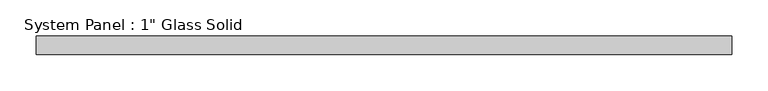
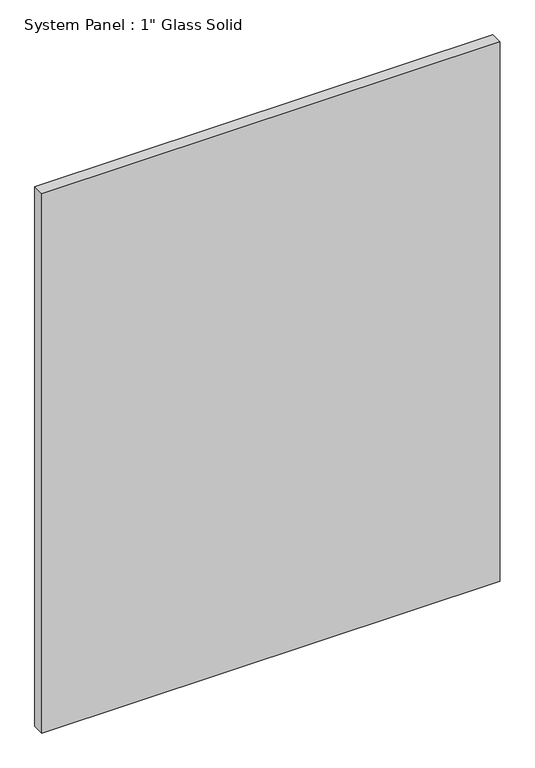
"""IFC4 building model written with IfcOpenShell, lengths in millimetres: plate geometry."""

from ifc_helpers import new_model, si_unit, origin, origin_with_axes, place, context, project, spatial, polyline, outline, extrude, source, transform, mapped, element, save


def plate_df56e210(model_context):
    return source(origin(), model_context, "Body", "SweptSolid", [
        extrude(outline(polyline([(477.2577987, -12.7), (-477.2577987, -12.7), (-477.2577987, 12.7), (477.2577987, 12.7), (477.2577987, -12.7)])), origin_with_axes(), (0.0, 0.0, 1.0), 1187.4517704),
    ])


if __name__ == "__main__":
    model = new_model("IFC4")
    model_context = context("Model", 3, world=origin())
    ifc_project = project(units=[si_unit("LENGTHUNIT", "METRE", prefix="MILLI")], contexts=[model_context])
    site = spatial("IfcSite", under=ifc_project)
    building = spatial("IfcBuilding", under=site)
    placement = place(None, origin())
    plate_shape = plate_df56e210(model_context)
    element("IfcPlate", 1, ObjectType="System Panel : 1\" Glass Solid", at=placement, inside=building, context=model_context, shape_type="MappedRepresentation", body=[
        mapped(plate_shape, transform((0.0, 0.0, 0.0), x_axis=(1.0, 0.0, 0.0), y_axis=(0.0, 1.0, 0.0), z_axis=(0.0, 0.0, 1.0))),
    ])
    save(model, "model.ifc")
